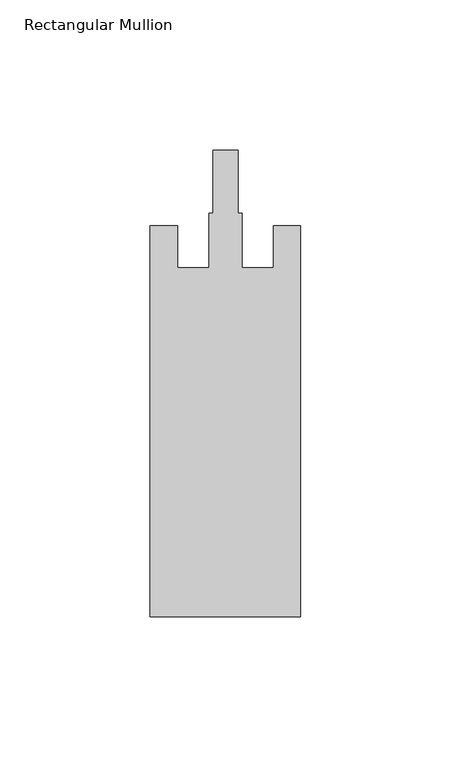
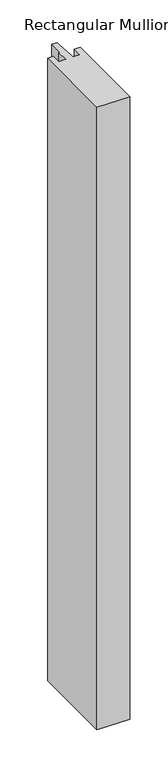
"""IFC4 building model written with IfcOpenShell, lengths in millimetres: member geometry, Rectangular Mullion."""

from ifc_helpers import new_model, si_unit, frame, origin, place, context, project, spatial, polyline, outline, extrude, source, transform, mapped, element, save


def rectangular_mullion_be6c5684(model_context):
    return source(origin(), model_context, "Body", "SweptSolid", [
        extrude(outline(polyline([(-50.0, -162.0), (-50.0, -32.0), (-41.0, -32.0), (-41.0, -46.0), (-30.5, -46.0), (-30.5, -27.8), (-29.1, -27.8), (-29.1, -7.0), (-20.9, -7.0), (-20.9, -27.8), (-19.5, -27.8), (-19.5, -46.0), (-9.0, -46.0), (-9.0, -32.0), (0.0, -32.0), (0.0, -162.0), (-50.0, -162.0)])), frame((0.0, 0.0, -1000.0), z_axis=(0.0, 0.0, 1.0), x_axis=(1.0, 0.0, 0.0)), (0.0, 0.0, 1.0), 1000.0),
    ])


if __name__ == "__main__":
    model = new_model("IFC4")
    model_context = context("Model", 3, world=origin())
    ifc_project = project(units=[si_unit("LENGTHUNIT", "METRE", prefix="MILLI")], contexts=[model_context])
    site = spatial("IfcSite", under=ifc_project)
    building = spatial("IfcBuilding", under=site)
    placement = place(None, origin())
    rectangular_mullion_shape = rectangular_mullion_be6c5684(model_context)
    element("IfcMember", 1, ObjectType="Rectangular Mullion", at=placement, inside=building, context=model_context, shape_type="MappedRepresentation", body=[
        mapped(rectangular_mullion_shape, transform((0.0, 0.0, 0.0), x_axis=(1.0, 0.0, 0.0), y_axis=(0.0, 1.0, 0.0), z_axis=(0.0, 0.0, 1.0))),
    ])
    save(model, "model.ifc")
